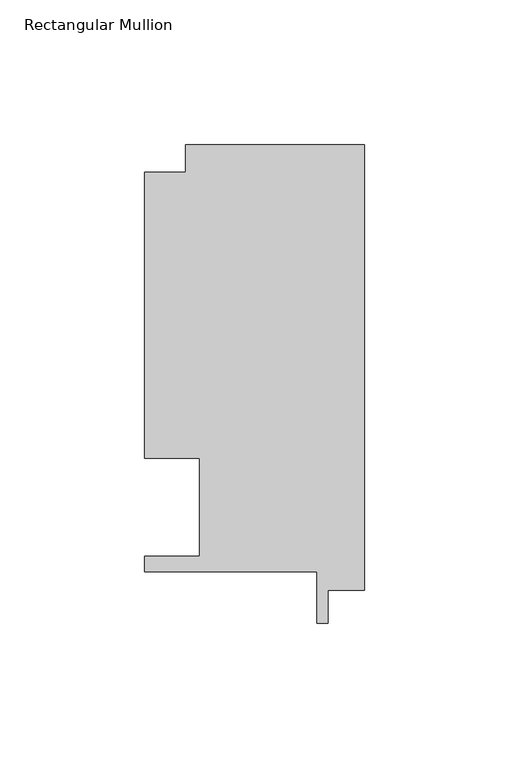
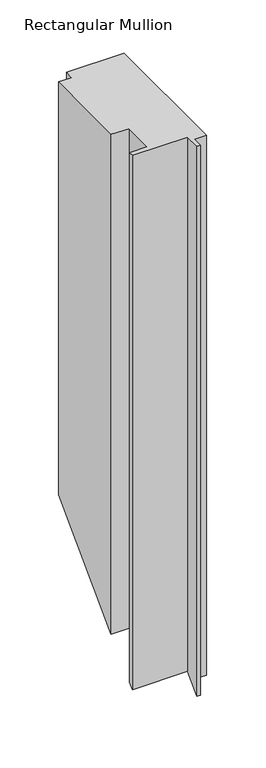
"""IFC4 building model written with IfcOpenShell, lengths in millimetres: member geometry, Rectangular Mullion."""

from ifc_helpers import new_model, si_unit, origin, place, context, project, spatial, faceted_brep, source, transform, mapped, element, save


def rectangular_mullion_c7410a4b(model_context):
    return source(origin(), model_context, "Body", "Brep", [
        faceted_brep([(0.0, 147.847839, 0.0), (-61.9124999, 147.847839, 0.0), (-61.9124999, 138.3228438, 0.0), (-76.1999999, 138.3228438, 0.0), (-76.1999999, 39.3898437, 0.0), (-57.1499999, 39.3898438, 0.0), (-57.1499999, 5.353839, 0.0), (-76.2, 5.353839, 0.0), (-76.2, 0.019839, 0.0), (-16.3618359, 0.019839, 0.0), (-16.3618359, -17.7344489, 0.0), (-12.7, -17.7344489, 0.0), (-12.7, -6.330161, 0.0), (0.0, -6.330161, 0.0), (0.0, 147.847839, -461.7545422), (-61.9124999, 147.847839, -461.7545422), (-61.9124999, 138.3228438, -471.2795375), (-76.1999999, 138.3228438, -471.2795375), (-76.1999999, 39.3898437, -570.2125375), (-57.1499999, 39.3898438, -570.2125375), (-57.1499999, 5.353839, -604.2485422), (-76.2, 5.353839, -604.2485422), (-76.2, 0.019839, -609.5825422), (-16.3618359, 0.019839, -609.5825422), (-16.3618359, -17.7344489, -627.3368301), (-12.7, -17.7344489, -627.3368301), (-12.7, -6.330161, -615.9325422), (0.0, -6.330161, -615.9325422)], [[[0, 1, 2, 3, 4, 5, 6, 7, 8, 9, 10, 11, 12, 13]], [[1, 0, 14, 15]], [[2, 1, 15, 16]], [[3, 2, 16, 17]], [[4, 3, 17, 18]], [[5, 4, 18, 19]], [[6, 5, 19, 20]], [[7, 6, 20, 21]], [[8, 7, 21, 22]], [[9, 8, 22, 23]], [[10, 9, 23, 24]], [[11, 10, 24, 25]], [[12, 11, 25, 26]], [[13, 12, 26, 27]], [[0, 13, 27, 14]], [[14, 27, 26, 25, 24, 23, 22, 21, 20, 19, 18, 17, 16, 15]]]),
    ])


if __name__ == "__main__":
    model = new_model("IFC4")
    model_context = context("Model", 3, world=origin())
    ifc_project = project(units=[si_unit("LENGTHUNIT", "METRE", prefix="MILLI")], contexts=[model_context])
    site = spatial("IfcSite", under=ifc_project)
    building = spatial("IfcBuilding", under=site)
    placement = place(None, origin())
    rectangular_mullion_shape = rectangular_mullion_c7410a4b(model_context)
    element("IfcMember", 1, ObjectType="Rectangular Mullion", at=placement, inside=building, context=model_context, shape_type="MappedRepresentation", body=[
        mapped(rectangular_mullion_shape, transform((0.0, 0.0, 0.0), x_axis=(1.0, 0.0, 0.0), y_axis=(0.0, 1.0, 0.0), z_axis=(0.0, 0.0, 1.0))),
    ])
    save(model, "model.ifc")
